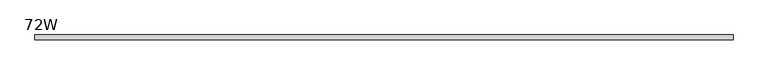
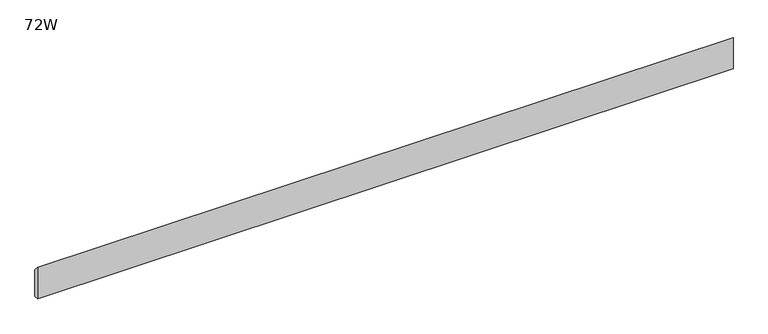
"""IFC4 building model written with IfcOpenShell, lengths in millimetres: furniture geometry, 72W."""

from ifc_helpers import new_model, si_unit, frame, origin, place, context, project, spatial, polyline, outline, extrude, source, transform, mapped, element, save


def furniture_72w_68b4922e(model_context):
    return source(origin(), model_context, "Body", "SweptSolid", [
        extrude(outline(polyline([(-11.938, 882.65), (-11.938, 965.2), (0.0, 952.5), (0.0, 882.65), (-11.938, 882.65)])), frame((48.006, 0.0, 0.0), z_axis=(1.0, 0.0, 0.0), x_axis=(0.0, 1.0, 0.0)), (0.0, 0.0, 1.0), 1732.788),
    ])


if __name__ == "__main__":
    model = new_model("IFC4")
    model_context = context("Model", 3, world=origin())
    ifc_project = project(units=[si_unit("LENGTHUNIT", "METRE", prefix="MILLI")], contexts=[model_context])
    site = spatial("IfcSite", under=ifc_project)
    building = spatial("IfcBuilding", under=site)
    placement = place(None, origin())
    furniture_72w_shape = furniture_72w_68b4922e(model_context)
    element("IfcFurniture", 1, ObjectType="72W", at=placement, inside=building, context=model_context, shape_type="MappedRepresentation", body=[
        mapped(furniture_72w_shape, transform((0.0, 0.0, 0.0), x_axis=(1.0, 0.0, 0.0), y_axis=(0.0, 1.0, 0.0), z_axis=(0.0, 0.0, 1.0))),
    ])
    save(model, "model.ifc")
